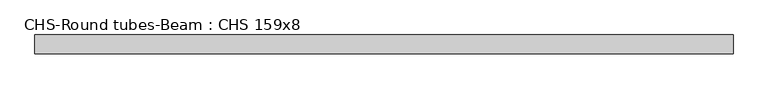
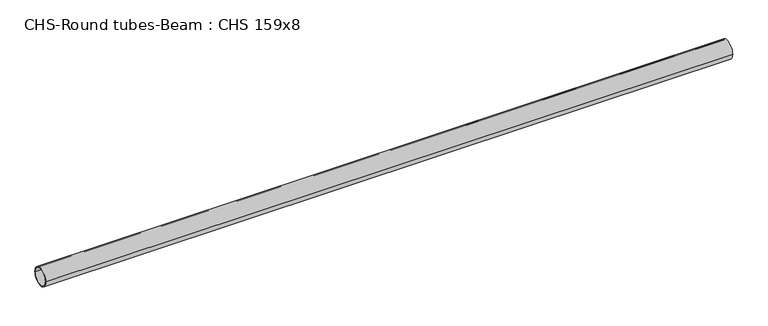
"""IFC4 building model written with IfcOpenShell, lengths in millimetres: beam geometry, CHS-Round tubes-Beam : CHS 159x8."""

import ifcopenshell
import ifcopenshell.guid

model = None  # the IFC model being written
_history = None  # IfcOwnerHistory: only IFC2X3 demands one
_inside = {}  # id of a spatial element -> (the spatial element, [elements in it])
_under = {}  # id of a project, library or spatial element -> (it, [spatial elements below it])
_declared = {}  # id of a project -> (the project, [libraries it declares])
_typed = {}  # id of a type object -> (the type object, [elements of that type])
_made_of = {}  # id of a material, layer set ... -> (it, [elements and type objects made of it])


def new_model(schema):
    """Start an empty IFC model of exactly this schema.

    Asked for "IFC4X3", IfcOpenShell would pick the latest addendum, in which some entities
    have other attributes; the version numbers below select the first issue.
    IFC2X3 requires an IfcOwnerHistory on every rooted entity: one is made here for all.
    """
    global model, _history
    if schema == "IFC4X3":
        model = ifcopenshell.file(schema_version=(4, 3, 0, 0))
    else:
        model = ifcopenshell.file(schema=schema)
    _inside.clear()
    _under.clear()
    _declared.clear()
    _typed.clear()
    _made_of.clear()
    _history = None
    if model.schema == "IFC2X3":
        org = make("IfcOrganization", Name="unknown")
        user = make(
            "IfcPersonAndOrganization",
            ThePerson=make("IfcPerson", FamilyName="unknown"),
            TheOrganization=org,
        )
        app = make(
            "IfcApplication",
            ApplicationDeveloper=org,
            Version="unknown",
            ApplicationFullName="unknown",
            ApplicationIdentifier="unknown",
        )
        _history = make(
            "IfcOwnerHistory",
            OwningUser=user,
            OwningApplication=app,
            ChangeAction="ADDED",
            CreationDate=0,
        )
    return model


def make(cls, **values):
    """One entity of the class cls with the attributes given. An attribute that is None is left unset."""
    return model.create_entity(
        cls, **{name: value for name, value in values.items() if value is not None}
    )


def rooted(cls, **values):
    """An entity with a GlobalId (a new one), such as an element, a storey or a relation."""
    return make(cls, GlobalId=ifcopenshell.guid.new(), OwnerHistory=_history, **values)


def si_unit(unit_type, name, prefix=None):
    """IfcSIUnit, for example si_unit("LENGTHUNIT", "METRE", prefix="MILLI")."""
    return make("IfcSIUnit", UnitType=unit_type, Prefix=prefix, Name=name)


def assignment(units):
    """IfcUnitAssignment: the units of a project."""
    return None if units is None else make("IfcUnitAssignment", Units=units)


def point(xyz):
    """IfcCartesianPoint."""
    return None if xyz is None else make("IfcCartesianPoint", Coordinates=xyz)


def direction(xyz):
    """IfcDirection."""
    return None if xyz is None else make("IfcDirection", DirectionRatios=xyz)


def frame(location, z_axis=None, x_axis=None):
    """IfcAxis2Placement3D, a coordinate frame: its origin and axes. An axis left out is left unset."""
    return make(
        "IfcAxis2Placement3D",
        Location=point(location),
        Axis=direction(z_axis),
        RefDirection=direction(x_axis),
    )


def frame_2d(location, x_axis=None):
    """IfcAxis2Placement2D, a coordinate frame in the plane: its origin and x axis."""
    return make(
        "IfcAxis2Placement2D", Location=point(location), RefDirection=direction(x_axis)
    )


def origin():
    """The frame at (0, 0, 0) with its axes left unset."""
    return frame((0.0, 0.0, 0.0))


def origin_2d():
    """The frame at (0, 0) in the plane with its x axis left unset."""
    return frame_2d((0.0, 0.0))


def place(relative_to, where):
    """IfcLocalPlacement: puts the frame where relative to a parent placement (None: the world)."""
    return make(
        "IfcLocalPlacement", PlacementRelTo=relative_to, RelativePlacement=where
    )


def context(
    kind, dimensions, precision=None, world=None, true_north=None, identifier=None
):
    """IfcGeometricRepresentationContext, for example the 3D "Model" context."""
    return make(
        "IfcGeometricRepresentationContext",
        ContextIdentifier=identifier,
        ContextType=kind,
        CoordinateSpaceDimension=dimensions,
        Precision=precision,
        WorldCoordinateSystem=world,
        TrueNorth=true_north,
    )


def project(units=None, contexts=None):
    """IfcProject with its units and contexts."""
    return rooted(
        "IfcProject",
        Name="project",
        RepresentationContexts=contexts,
        UnitsInContext=assignment(units),
    )


def spatial(cls, under=None, at=None, **own):
    """A site, building, storey or space (cls), placed at a placement, below another one or the project."""
    s = rooted(cls, ObjectPlacement=at, **own)
    if under is not None:
        _under.setdefault(under.id(), (under, []))[1].append(s)
    return s


def circle_curve(where, radius):
    """IfcCircle in the frame where."""
    return make("IfcCircle", Position=where, Radius=radius)


def trimmed(basis, trim1, trim2, sense, master):
    """IfcTrimmedCurve: the piece of a basis curve between two trims."""
    return make(
        "IfcTrimmedCurve",
        BasisCurve=basis,
        Trim1=trim1,
        Trim2=trim2,
        SenseAgreement=sense,
        MasterRepresentation=master,
    )


def segment(curve, same_sense, transition):
    """IfcCompositeCurveSegment."""
    return make(
        "IfcCompositeCurveSegment",
        Transition=transition,
        SameSense=same_sense,
        ParentCurve=curve,
    )


def composite_curve(segments, self_intersect=None):
    """IfcCompositeCurve: segments joined end to end."""
    return make("IfcCompositeCurve", Segments=segments, SelfIntersect=self_intersect)


def outline(outer, holes=None, kind="AREA"):
    """IfcArbitraryClosedProfileDef: a profile drawn as a closed curve; with holes, ...WithVoids."""
    if holes is None:
        return make("IfcArbitraryClosedProfileDef", ProfileType=kind, OuterCurve=outer)
    return make(
        "IfcArbitraryProfileDefWithVoids",
        ProfileType=kind,
        OuterCurve=outer,
        InnerCurves=holes,
    )


def extrude(swept, where, along, depth):
    """IfcExtrudedAreaSolid: the profile swept, set in the frame where, extruded along a direction by depth."""
    return make(
        "IfcExtrudedAreaSolid",
        SweptArea=swept,
        Position=where,
        ExtrudedDirection=direction(along),
        Depth=depth,
    )


def shape(context_of_items, identifier, shape_type, items):
    """IfcShapeRepresentation: the items that make up one representation, for example the "Body"."""
    return make(
        "IfcShapeRepresentation",
        ContextOfItems=context_of_items,
        RepresentationIdentifier=identifier,
        RepresentationType=shape_type,
        Items=items,
    )


def source(mapping_origin, context_of_items, identifier, shape_type, items):
    """IfcRepresentationMap: a shape defined once, which mapped items show again and again."""
    return make(
        "IfcRepresentationMap",
        MappingOrigin=mapping_origin,
        MappedRepresentation=shape(context_of_items, identifier, shape_type, items),
    )


def transform(
    local_origin,
    x_axis=None,
    y_axis=None,
    z_axis=None,
    scale=None,
    scale2=None,
    scale3=None,
    uniform=True,
):
    """IfcCartesianTransformationOperator3D, or its non-uniform kind. x_axis, y_axis, z_axis: its Axis1, 2, 3."""
    if uniform:
        return make(
            "IfcCartesianTransformationOperator3D",
            Axis1=direction(x_axis),
            Axis2=direction(y_axis),
            LocalOrigin=point(local_origin),
            Scale=scale,
            Axis3=direction(z_axis),
        )
    return make(
        "IfcCartesianTransformationOperator3DnonUniform",
        Axis1=direction(x_axis),
        Axis2=direction(y_axis),
        LocalOrigin=point(local_origin),
        Scale=scale,
        Axis3=direction(z_axis),
        Scale2=scale2,
        Scale3=scale3,
    )


def mapped(mapping_source, mapping_target):
    """IfcMappedItem: shows the shape of a source again, moved by a transform."""
    return make(
        "IfcMappedItem", MappingSource=mapping_source, MappingTarget=mapping_target
    )


def made_of(thing, what):
    """Note that an element or type object is made of a material, layer set ...; save() writes the relation."""
    if what is not None:
        _made_of.setdefault(what.id(), (what, []))[1].append(thing)
    return thing


def element(
    cls,
    number,
    at=None,
    inside=None,
    cuts=None,
    type_object=None,
    material=None,
    context=None,
    identifier="Body",
    shape_type=None,
    held_by="IfcProductDefinitionShape",
    body=None,
    shapes=None,
    **own,
):
    """One element of the class cls, such as IfcWall. Its Tag is "e" and its number.

    at: its placement. inside: the storey or other place that contains it. cuts: it is an
    opening in that element (IfcRelVoidsElement). A single representation is given by context,
    identifier, shape_type and body (its items); several are given by shapes. held_by: the class
    of the entity that holds the representations. save() writes the other relations.
    """
    e = rooted(cls, Tag="e%d" % number, ObjectPlacement=at, **own)
    if body is not None:
        shapes = [shape(context, identifier, shape_type, body)]
    if shapes is not None:
        e.Representation = make(held_by, Representations=shapes)
    if inside is not None:
        _inside.setdefault(inside.id(), (inside, []))[1].append(e)
    if cuts is not None:
        rooted(
            "IfcRelVoidsElement", RelatingBuildingElement=cuts, RelatedOpeningElement=e
        )
    if type_object is not None:
        _typed.setdefault(type_object.id(), (type_object, []))[1].append(e)
    return made_of(e, material)


def aggregate(whole, parts):
    """IfcRelAggregates: a whole, such as a stair, and the parts it consists of."""
    return rooted("IfcRelAggregates", RelatingObject=whole, RelatedObjects=parts)


def save(model, path):
    """Write the relations noted so far, then the file.

    IfcRelAggregates (storeys below a building ...), IfcRelContainedInSpatialStructure (elements
    in a storey), IfcRelDefinesByType, IfcRelAssociatesMaterial and IfcRelDeclares: one each for
    every whole, place, type object, material and project.
    """
    for whole, parts in _under.values():
        aggregate(whole, parts)
    for where, things in _inside.values():
        rooted(
            "IfcRelContainedInSpatialStructure",
            RelatedElements=things,
            RelatingStructure=where,
        )
    for kind, things in _typed.values():
        rooted("IfcRelDefinesByType", RelatedObjects=things, RelatingType=kind)
    for what, things in _made_of.values():
        rooted("IfcRelAssociatesMaterial", RelatedObjects=things, RelatingMaterial=what)
    for by, libraries in _declared.values():
        rooted("IfcRelDeclares", RelatingContext=by, RelatedDefinitions=libraries)
    model.write(path)


def chs_round_tubes_beam_chs_159x8_a0b602f1(model_context):
    return source(origin(), model_context, "Body", "SweptSolid", [
        extrude(outline(composite_curve([segment(trimmed(circle_curve(origin_2d(), 79.5), [point((79.5, 0.0))], [point((-79.5, 0.0))], False, "CARTESIAN"), True, "CONTINUOUS"), segment(trimmed(circle_curve(origin_2d(), 79.5), [point((-79.5, 0.0))], [point((79.5, 0.0))], False, "CARTESIAN"), True, "CONTINUOUS")], self_intersect=False), holes=[composite_curve([segment(trimmed(circle_curve(origin_2d(), 71.5), [point((71.5, 0.0))], [point((-71.5, 0.0))], True, "CARTESIAN"), True, "CONTINUOUS"), segment(trimmed(circle_curve(origin_2d(), 71.5), [point((-71.5, 0.0))], [point((71.5, 0.0))], True, "CARTESIAN"), True, "CONTINUOUS")], self_intersect=False)]), frame((-2941.9273317, 0.0, 0.0), z_axis=(1.0, 0.0, 0.0), x_axis=(0.0, 1.0, 0.0)), (0.0, 0.0, 1.0), 5883.8546634),
    ])


if __name__ == "__main__":
    model = new_model("IFC4")
    model_context = context("Model", 3, world=origin())
    ifc_project = project(units=[si_unit("LENGTHUNIT", "METRE", prefix="MILLI")], contexts=[model_context])
    site = spatial("IfcSite", under=ifc_project)
    building = spatial("IfcBuilding", under=site)
    placement = place(None, origin())
    chs_round_tubes_beam_chs_159x8_shape = chs_round_tubes_beam_chs_159x8_a0b602f1(model_context)
    element("IfcBeam", 1, ObjectType="CHS-Round tubes-Beam : CHS 159x8", at=placement, inside=building, context=model_context, shape_type="MappedRepresentation", body=[
        mapped(chs_round_tubes_beam_chs_159x8_shape, transform((0.0, 0.0, 0.0), x_axis=(1.0, 0.0, 0.0), y_axis=(0.0, 1.0, 0.0), z_axis=(0.0, 0.0, 1.0))),
    ])
    save(model, "model.ifc")
